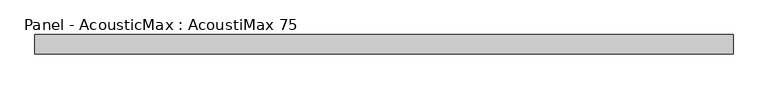
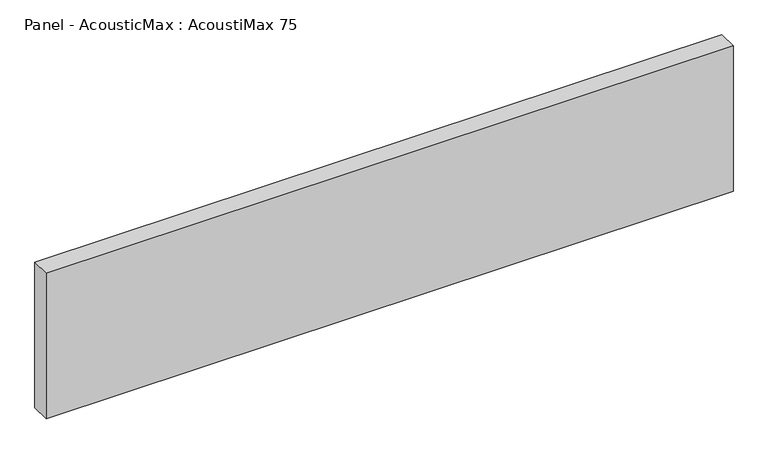
"""IFC4 building model written with IfcOpenShell, lengths in millimetres: plate geometry, Panel - AcousticMax : AcoustiMax 75."""

from ifc_helpers import new_model, si_unit, origin, origin_with_axes, place, context, project, spatial, polyline, outline, extrude, source, transform, mapped, element, save


def panel_acousticmax_acoustimax_75_fca8efa1(model_context):
    return source(origin(), model_context, "Body", "SweptSolid", [
        extrude(outline(polyline([(1341.0, 37.5), (1341.0, -37.5), (-1340.5, -37.5), (-1340.5, 37.5), (1341.0, 37.5)])), origin_with_axes(), (0.0, 0.0, 1.0), 600.0),
    ])


if __name__ == "__main__":
    model = new_model("IFC4")
    model_context = context("Model", 3, world=origin())
    ifc_project = project(units=[si_unit("LENGTHUNIT", "METRE", prefix="MILLI")], contexts=[model_context])
    site = spatial("IfcSite", under=ifc_project)
    building = spatial("IfcBuilding", under=site)
    placement = place(None, origin())
    panel_acousticmax_acoustimax_75_shape = panel_acousticmax_acoustimax_75_fca8efa1(model_context)
    element("IfcPlate", 1, ObjectType="Panel - AcousticMax : AcoustiMax 75", at=placement, inside=building, context=model_context, shape_type="MappedRepresentation", body=[
        mapped(panel_acousticmax_acoustimax_75_shape, transform((0.0, 0.0, 0.0), x_axis=(1.0, 0.0, 0.0), y_axis=(0.0, 1.0, 0.0), z_axis=(0.0, 0.0, 1.0))),
    ])
    save(model, "model.ifc")
